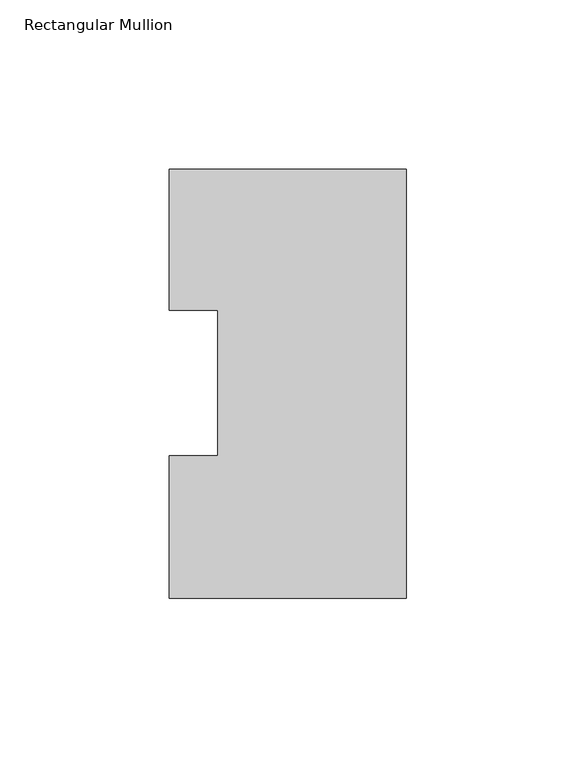
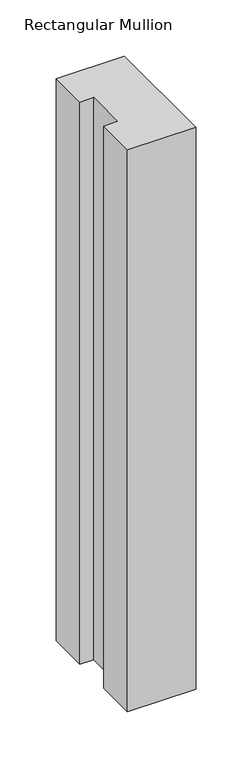
"""IFC4 building model written with IfcOpenShell, lengths in millimetres: member geometry, Rectangular Mullion."""

from ifc_helpers import new_model, si_unit, frame, origin, place, context, project, spatial, polyline, outline, extrude, source, transform, mapped, element, save


def rectangular_mullion_f0ea85f5(model_context):
    return source(origin(), model_context, "Body", "SweptSolid", [
        extrude(outline(polyline([(-69.85, 0.04445), (-69.85, 42.08145), (-55.5625, 42.08145), (-55.5625, 84.93125), (-69.85, 84.93125), (-69.85, 126.53645), (0.0, 126.53645), (0.0, 0.04445), (-69.85, 0.04445)])), frame((0.0, 0.0, -609.6), z_axis=(0.0, 0.0, 1.0), x_axis=(1.0, 0.0, 0.0)), (0.0, 0.0, 1.0), 609.6),
    ])


if __name__ == "__main__":
    model = new_model("IFC4")
    model_context = context("Model", 3, world=origin())
    ifc_project = project(units=[si_unit("LENGTHUNIT", "METRE", prefix="MILLI")], contexts=[model_context])
    site = spatial("IfcSite", under=ifc_project)
    building = spatial("IfcBuilding", under=site)
    placement = place(None, origin())
    rectangular_mullion_shape = rectangular_mullion_f0ea85f5(model_context)
    element("IfcMember", 1, ObjectType="Rectangular Mullion", at=placement, inside=building, context=model_context, shape_type="MappedRepresentation", body=[
        mapped(rectangular_mullion_shape, transform((0.0, 0.0, 0.0), x_axis=(1.0, 0.0, 0.0), y_axis=(0.0, 1.0, 0.0), z_axis=(0.0, 0.0, 1.0))),
    ])
    save(model, "model.ifc")
